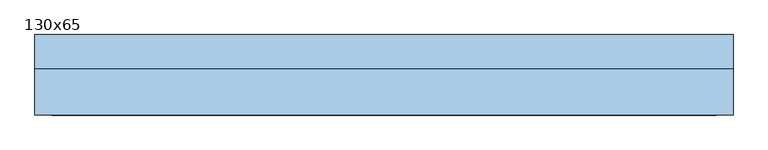
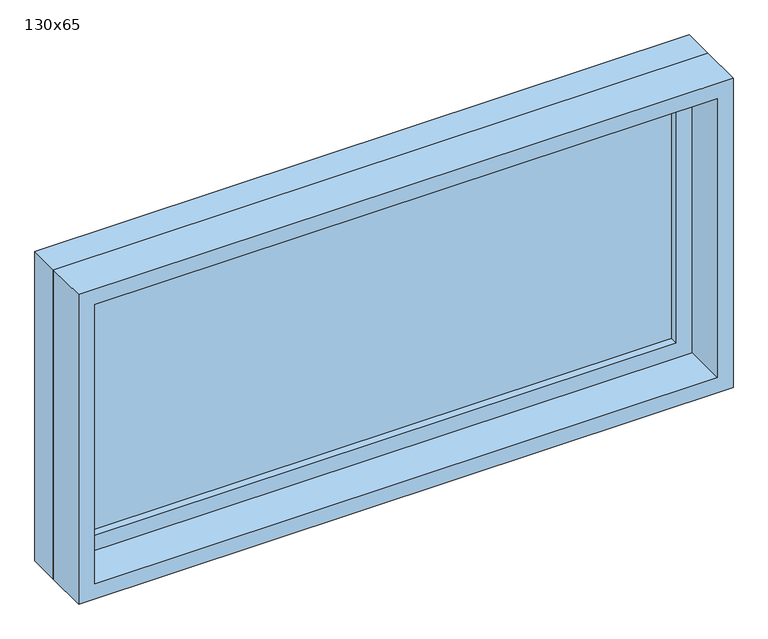
"""IFC4 building model written with IfcOpenShell, lengths in millimetres: window geometry, 130x65."""

from ifc_helpers import new_model, si_unit, frame, origin, place, context, project, spatial, polyline, outline, extrude, source, transform, mapped, element, save


def window_130x65_68899f25(model_context):
    return source(origin(), model_context, "Body", "SweptSolid", [
        extrude(outline(polyline([(548.4, 27.375), (-624.6, 27.375), (-624.6, 40.075), (548.4, 40.075), (548.4, 27.375)])), frame((0.0, 0.0, 977.9), z_axis=(0.0, 0.0, 1.0), x_axis=(1.0, 0.0, 0.0)), (0.0, 0.0, 1.0), 523.0),
        extrude(outline(polyline([(1545.35, -669.05), (933.45, -669.05), (933.45, 592.85), (1545.35, 592.85), (1545.35, -669.05)]), holes=[polyline([(1500.9, -624.6), (1500.9, 548.4), (977.9, 548.4), (977.9, -624.6), (1500.9, -624.6)])]), frame((0.0, 11.5, 0.0), z_axis=(0.0, 1.0, 0.0), x_axis=(0.0, 0.0, 1.0)), (0.0, 0.0, 1.0), 44.45),
        extrude(outline(polyline([(1564.4, -688.1), (914.4, -688.1), (914.4, 611.9), (1564.4, 611.9), (1564.4, -688.1)]), holes=[polyline([(1532.65, -656.35), (1532.65, 580.15), (946.15, 580.15), (946.15, -656.35), (1532.65, -656.35)])]), frame((0.0, -75.0, 0.0), z_axis=(0.0, 1.0, 0.0), x_axis=(0.0, 0.0, 1.0)), (0.0, 0.0, 1.0), 86.5),
        extrude(outline(polyline([(1564.4, 611.9), (1564.4, -688.1), (914.4, -688.1), (914.4, 611.9), (1564.4, 611.9)]), holes=[polyline([(1545.35, 592.85), (933.45, 592.85), (933.45, -669.05), (1545.35, -669.05), (1545.35, 592.85)])]), frame((0.0, 11.5, 0.0), z_axis=(0.0, 1.0, 0.0), x_axis=(0.0, 0.0, 1.0)), (0.0, 0.0, 1.0), 63.5),
    ])


if __name__ == "__main__":
    model = new_model("IFC4")
    model_context = context("Model", 3, world=origin())
    ifc_project = project(units=[si_unit("LENGTHUNIT", "METRE", prefix="MILLI")], contexts=[model_context])
    site = spatial("IfcSite", under=ifc_project)
    building = spatial("IfcBuilding", under=site)
    placement = place(None, origin())
    window_130x65_shape = window_130x65_68899f25(model_context)
    element("IfcWindow", 1, ObjectType="130x65", at=placement, inside=building, context=model_context, shape_type="MappedRepresentation", body=[
        mapped(window_130x65_shape, transform((0.0, 0.0, 0.0), x_axis=(1.0, 0.0, 0.0), y_axis=(0.0, 1.0, 0.0), z_axis=(0.0, 0.0, 1.0))),
    ])
    save(model, "model.ifc")
